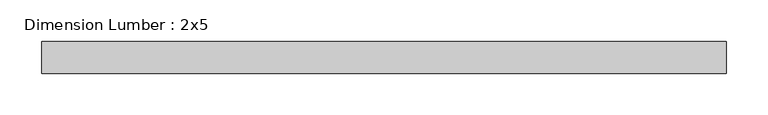
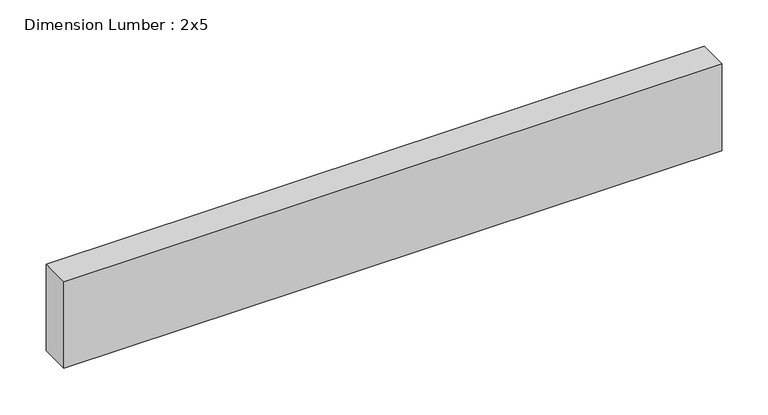
"""IFC4 building model written with IfcOpenShell, lengths in millimetres: beam geometry, Dimension Lumber : 2x5."""

from ifc_helpers import new_model, si_unit, frame, origin, place, context, project, spatial, polyline, outline, extrude, source, transform, mapped, element, save


def dimension_lumber_2x5_f8e283bd(model_context):
    return source(origin(), model_context, "Body", "SweptSolid", [
        extrude(outline(polyline([(409.8528779, 19.05), (409.8528779, -19.05), (-409.8528779, -19.05), (-409.8528779, 19.05), (409.8528779, 19.05)])), frame((0.0, 0.0, -57.15), z_axis=(0.0, 0.0, 1.0), x_axis=(1.0, 0.0, 0.0)), (0.0, 0.0, 1.0), 114.3),
    ])


if __name__ == "__main__":
    model = new_model("IFC4")
    model_context = context("Model", 3, world=origin())
    ifc_project = project(units=[si_unit("LENGTHUNIT", "METRE", prefix="MILLI")], contexts=[model_context])
    site = spatial("IfcSite", under=ifc_project)
    building = spatial("IfcBuilding", under=site)
    placement = place(None, origin())
    dimension_lumber_2x5_shape = dimension_lumber_2x5_f8e283bd(model_context)
    element("IfcBeam", 1, ObjectType="Dimension Lumber : 2x5", at=placement, inside=building, context=model_context, shape_type="MappedRepresentation", body=[
        mapped(dimension_lumber_2x5_shape, transform((0.0, 0.0, 0.0), x_axis=(1.0, 0.0, 0.0), y_axis=(0.0, 1.0, 0.0), z_axis=(0.0, 0.0, 1.0))),
    ])
    save(model, "model.ifc")
